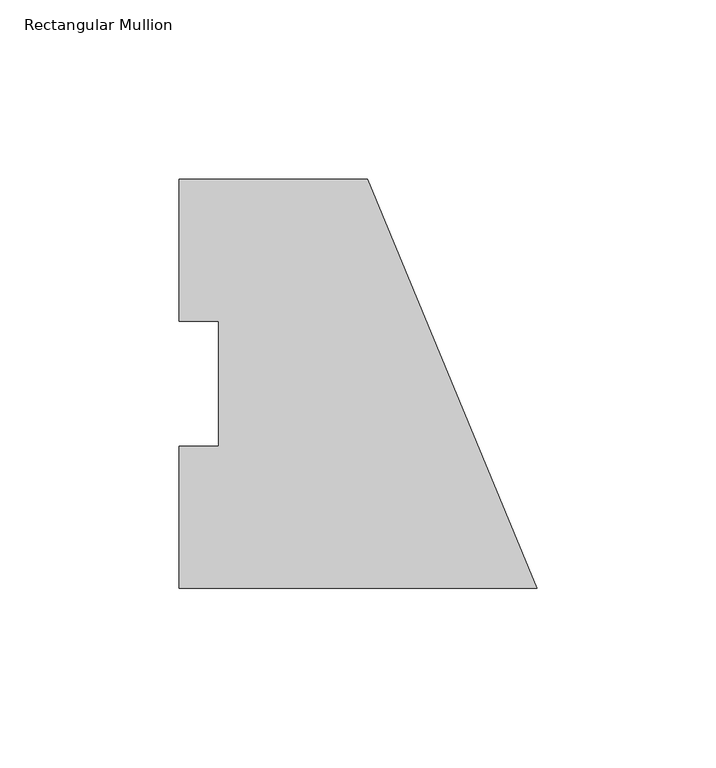
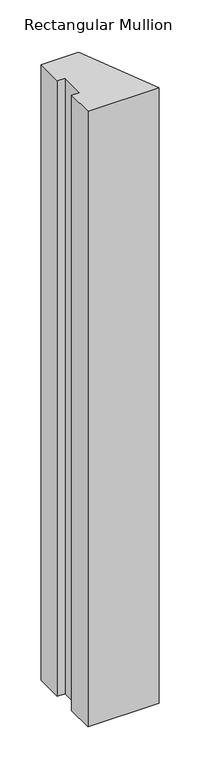
"""IFC4 building model written with IfcOpenShell, lengths in millimetres: member geometry, Rectangular Mullion."""

import ifcopenshell
import ifcopenshell.guid

model = None  # the IFC model being written
_history = None  # IfcOwnerHistory: only IFC2X3 demands one
_inside = {}  # id of a spatial element -> (the spatial element, [elements in it])
_under = {}  # id of a project, library or spatial element -> (it, [spatial elements below it])
_declared = {}  # id of a project -> (the project, [libraries it declares])
_typed = {}  # id of a type object -> (the type object, [elements of that type])
_made_of = {}  # id of a material, layer set ... -> (it, [elements and type objects made of it])


def new_model(schema):
    """Start an empty IFC model of exactly this schema.

    Asked for "IFC4X3", IfcOpenShell would pick the latest addendum, in which some entities
    have other attributes; the version numbers below select the first issue.
    IFC2X3 requires an IfcOwnerHistory on every rooted entity: one is made here for all.
    """
    global model, _history
    if schema == "IFC4X3":
        model = ifcopenshell.file(schema_version=(4, 3, 0, 0))
    else:
        model = ifcopenshell.file(schema=schema)
    _inside.clear()
    _under.clear()
    _declared.clear()
    _typed.clear()
    _made_of.clear()
    _history = None
    if model.schema == "IFC2X3":
        org = make("IfcOrganization", Name="unknown")
        user = make(
            "IfcPersonAndOrganization",
            ThePerson=make("IfcPerson", FamilyName="unknown"),
            TheOrganization=org,
        )
        app = make(
            "IfcApplication",
            ApplicationDeveloper=org,
            Version="unknown",
            ApplicationFullName="unknown",
            ApplicationIdentifier="unknown",
        )
        _history = make(
            "IfcOwnerHistory",
            OwningUser=user,
            OwningApplication=app,
            ChangeAction="ADDED",
            CreationDate=0,
        )
    return model


def make(cls, **values):
    """One entity of the class cls with the attributes given. An attribute that is None is left unset."""
    return model.create_entity(
        cls, **{name: value for name, value in values.items() if value is not None}
    )


def rooted(cls, **values):
    """An entity with a GlobalId (a new one), such as an element, a storey or a relation."""
    return make(cls, GlobalId=ifcopenshell.guid.new(), OwnerHistory=_history, **values)


def si_unit(unit_type, name, prefix=None):
    """IfcSIUnit, for example si_unit("LENGTHUNIT", "METRE", prefix="MILLI")."""
    return make("IfcSIUnit", UnitType=unit_type, Prefix=prefix, Name=name)


def assignment(units):
    """IfcUnitAssignment: the units of a project."""
    return None if units is None else make("IfcUnitAssignment", Units=units)


def point(xyz):
    """IfcCartesianPoint."""
    return None if xyz is None else make("IfcCartesianPoint", Coordinates=xyz)


def direction(xyz):
    """IfcDirection."""
    return None if xyz is None else make("IfcDirection", DirectionRatios=xyz)


def frame(location, z_axis=None, x_axis=None):
    """IfcAxis2Placement3D, a coordinate frame: its origin and axes. An axis left out is left unset."""
    return make(
        "IfcAxis2Placement3D",
        Location=point(location),
        Axis=direction(z_axis),
        RefDirection=direction(x_axis),
    )


def origin():
    """The frame at (0, 0, 0) with its axes left unset."""
    return frame((0.0, 0.0, 0.0))


def place(relative_to, where):
    """IfcLocalPlacement: puts the frame where relative to a parent placement (None: the world)."""
    return make(
        "IfcLocalPlacement", PlacementRelTo=relative_to, RelativePlacement=where
    )


def context(
    kind, dimensions, precision=None, world=None, true_north=None, identifier=None
):
    """IfcGeometricRepresentationContext, for example the 3D "Model" context."""
    return make(
        "IfcGeometricRepresentationContext",
        ContextIdentifier=identifier,
        ContextType=kind,
        CoordinateSpaceDimension=dimensions,
        Precision=precision,
        WorldCoordinateSystem=world,
        TrueNorth=true_north,
    )


def project(units=None, contexts=None):
    """IfcProject with its units and contexts."""
    return rooted(
        "IfcProject",
        Name="project",
        RepresentationContexts=contexts,
        UnitsInContext=assignment(units),
    )


def spatial(cls, under=None, at=None, **own):
    """A site, building, storey or space (cls), placed at a placement, below another one or the project."""
    s = rooted(cls, ObjectPlacement=at, **own)
    if under is not None:
        _under.setdefault(under.id(), (under, []))[1].append(s)
    return s


def polyline(points):
    """IfcPolyline through the points."""
    return make("IfcPolyline", Points=[point(p) for p in points])


def outline(outer, holes=None, kind="AREA"):
    """IfcArbitraryClosedProfileDef: a profile drawn as a closed curve; with holes, ...WithVoids."""
    if holes is None:
        return make("IfcArbitraryClosedProfileDef", ProfileType=kind, OuterCurve=outer)
    return make(
        "IfcArbitraryProfileDefWithVoids",
        ProfileType=kind,
        OuterCurve=outer,
        InnerCurves=holes,
    )


def extrude(swept, where, along, depth):
    """IfcExtrudedAreaSolid: the profile swept, set in the frame where, extruded along a direction by depth."""
    return make(
        "IfcExtrudedAreaSolid",
        SweptArea=swept,
        Position=where,
        ExtrudedDirection=direction(along),
        Depth=depth,
    )


def shape(context_of_items, identifier, shape_type, items):
    """IfcShapeRepresentation: the items that make up one representation, for example the "Body"."""
    return make(
        "IfcShapeRepresentation",
        ContextOfItems=context_of_items,
        RepresentationIdentifier=identifier,
        RepresentationType=shape_type,
        Items=items,
    )


def source(mapping_origin, context_of_items, identifier, shape_type, items):
    """IfcRepresentationMap: a shape defined once, which mapped items show again and again."""
    return make(
        "IfcRepresentationMap",
        MappingOrigin=mapping_origin,
        MappedRepresentation=shape(context_of_items, identifier, shape_type, items),
    )


def transform(
    local_origin,
    x_axis=None,
    y_axis=None,
    z_axis=None,
    scale=None,
    scale2=None,
    scale3=None,
    uniform=True,
):
    """IfcCartesianTransformationOperator3D, or its non-uniform kind. x_axis, y_axis, z_axis: its Axis1, 2, 3."""
    if uniform:
        return make(
            "IfcCartesianTransformationOperator3D",
            Axis1=direction(x_axis),
            Axis2=direction(y_axis),
            LocalOrigin=point(local_origin),
            Scale=scale,
            Axis3=direction(z_axis),
        )
    return make(
        "IfcCartesianTransformationOperator3DnonUniform",
        Axis1=direction(x_axis),
        Axis2=direction(y_axis),
        LocalOrigin=point(local_origin),
        Scale=scale,
        Axis3=direction(z_axis),
        Scale2=scale2,
        Scale3=scale3,
    )


def mapped(mapping_source, mapping_target):
    """IfcMappedItem: shows the shape of a source again, moved by a transform."""
    return make(
        "IfcMappedItem", MappingSource=mapping_source, MappingTarget=mapping_target
    )


def made_of(thing, what):
    """Note that an element or type object is made of a material, layer set ...; save() writes the relation."""
    if what is not None:
        _made_of.setdefault(what.id(), (what, []))[1].append(thing)
    return thing


def element(
    cls,
    number,
    at=None,
    inside=None,
    cuts=None,
    type_object=None,
    material=None,
    context=None,
    identifier="Body",
    shape_type=None,
    held_by="IfcProductDefinitionShape",
    body=None,
    shapes=None,
    **own,
):
    """One element of the class cls, such as IfcWall. Its Tag is "e" and its number.

    at: its placement. inside: the storey or other place that contains it. cuts: it is an
    opening in that element (IfcRelVoidsElement). A single representation is given by context,
    identifier, shape_type and body (its items); several are given by shapes. held_by: the class
    of the entity that holds the representations. save() writes the other relations.
    """
    e = rooted(cls, Tag="e%d" % number, ObjectPlacement=at, **own)
    if body is not None:
        shapes = [shape(context, identifier, shape_type, body)]
    if shapes is not None:
        e.Representation = make(held_by, Representations=shapes)
    if inside is not None:
        _inside.setdefault(inside.id(), (inside, []))[1].append(e)
    if cuts is not None:
        rooted(
            "IfcRelVoidsElement", RelatingBuildingElement=cuts, RelatedOpeningElement=e
        )
    if type_object is not None:
        _typed.setdefault(type_object.id(), (type_object, []))[1].append(e)
    return made_of(e, material)


def aggregate(whole, parts):
    """IfcRelAggregates: a whole, such as a stair, and the parts it consists of."""
    return rooted("IfcRelAggregates", RelatingObject=whole, RelatedObjects=parts)


def save(model, path):
    """Write the relations noted so far, then the file.

    IfcRelAggregates (storeys below a building ...), IfcRelContainedInSpatialStructure (elements
    in a storey), IfcRelDefinesByType, IfcRelAssociatesMaterial and IfcRelDeclares: one each for
    every whole, place, type object, material and project.
    """
    for whole, parts in _under.values():
        aggregate(whole, parts)
    for where, things in _inside.values():
        rooted(
            "IfcRelContainedInSpatialStructure",
            RelatedElements=things,
            RelatingStructure=where,
        )
    for kind, things in _typed.values():
        rooted("IfcRelDefinesByType", RelatedObjects=things, RelatingType=kind)
    for what, things in _made_of.values():
        rooted("IfcRelAssociatesMaterial", RelatedObjects=things, RelatingMaterial=what)
    for by, libraries in _declared.values():
        rooted("IfcRelDeclares", RelatingContext=by, RelatedDefinitions=libraries)
    model.write(path)


def rectangular_mullion_9e4b37b5(model_context):
    return source(origin(), model_context, "Body", "SweptSolid", [
        extrude(outline(polyline([(0.0, -0.028575), (-100.0125, -0.028575), (-100.0125, 39.646225), (-88.9, 39.646225), (-88.9, 74.596625), (-100.0125, 74.596625), (-100.0125, 114.271425), (-47.3446102, 114.271425), (0.0, -0.028575)])), frame((0.0, 0.0, -914.4), z_axis=(0.0, 0.0, 1.0), x_axis=(1.0, 0.0, 0.0)), (0.0, 0.0, 1.0), 914.4),
    ])


if __name__ == "__main__":
    model = new_model("IFC4")
    model_context = context("Model", 3, world=origin())
    ifc_project = project(units=[si_unit("LENGTHUNIT", "METRE", prefix="MILLI")], contexts=[model_context])
    site = spatial("IfcSite", under=ifc_project)
    building = spatial("IfcBuilding", under=site)
    placement = place(None, origin())
    rectangular_mullion_shape = rectangular_mullion_9e4b37b5(model_context)
    element("IfcMember", 1, ObjectType="Rectangular Mullion", at=placement, inside=building, context=model_context, shape_type="MappedRepresentation", body=[
        mapped(rectangular_mullion_shape, transform((0.0, 0.0, 0.0), x_axis=(1.0, 0.0, 0.0), y_axis=(0.0, 1.0, 0.0), z_axis=(0.0, 0.0, 1.0))),
    ])
    save(model, "model.ifc")
